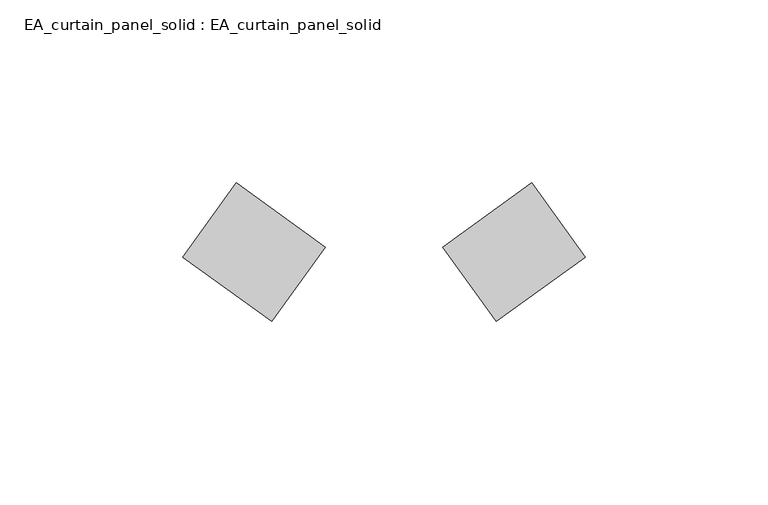
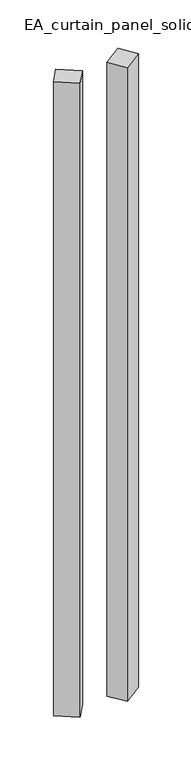
"""IFC4 building model written with IfcOpenShell, lengths in millimetres: plate geometry, EA_curtain_panel_solid : EA_curtain_panel_solid."""

from ifc_helpers import new_model, si_unit, origin, origin_with_axes, place, context, project, spatial, polyline, outline, extrude, source, transform, mapped, element, save


def ea_curtain_panel_solid_ea_curtain_panel_solid_e6113a3e(model_context):
    return source(origin(), model_context, "Body", "SweptSolid", [
        extrude(outline(polyline([(70.3802427, 20.2796129), (85.0, 0.0), (60.6644646, -17.5437087), (46.0447073, 2.7359041), (70.3802427, 20.2796129)])), origin_with_axes(), (0.0, 0.0, 1.0), 866.6666667),
        extrude(outline(polyline([(-10.3802427, 20.2796129), (13.9552927, 2.7359041), (-0.6644646, -17.5437087), (-25.0, 0.0), (-10.3802427, 20.2796129)])), origin_with_axes(), (0.0, 0.0, 1.0), 866.6666667),
    ])


if __name__ == "__main__":
    model = new_model("IFC4")
    model_context = context("Model", 3, world=origin())
    ifc_project = project(units=[si_unit("LENGTHUNIT", "METRE", prefix="MILLI")], contexts=[model_context])
    site = spatial("IfcSite", under=ifc_project)
    building = spatial("IfcBuilding", under=site)
    placement = place(None, origin())
    ea_curtain_panel_solid_ea_curtain_panel_solid_shape = ea_curtain_panel_solid_ea_curtain_panel_solid_e6113a3e(model_context)
    element("IfcPlate", 1, ObjectType="EA_curtain_panel_solid : EA_curtain_panel_solid", at=placement, inside=building, context=model_context, shape_type="MappedRepresentation", body=[
        mapped(ea_curtain_panel_solid_ea_curtain_panel_solid_shape, transform((0.0, 0.0, 0.0), x_axis=(1.0, 0.0, 0.0), y_axis=(0.0, 1.0, 0.0), z_axis=(0.0, 0.0, 1.0))),
    ])
    save(model, "model.ifc")
